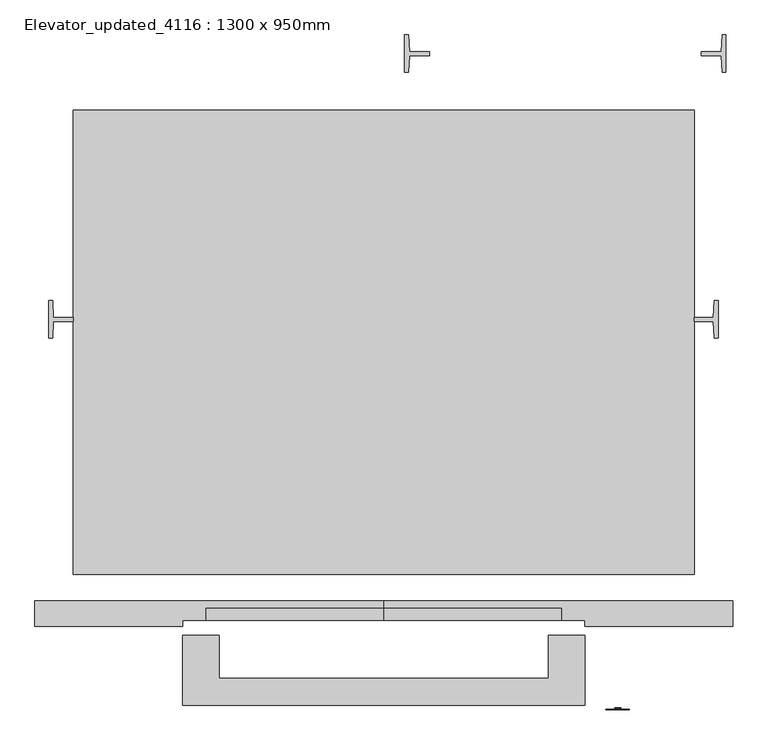
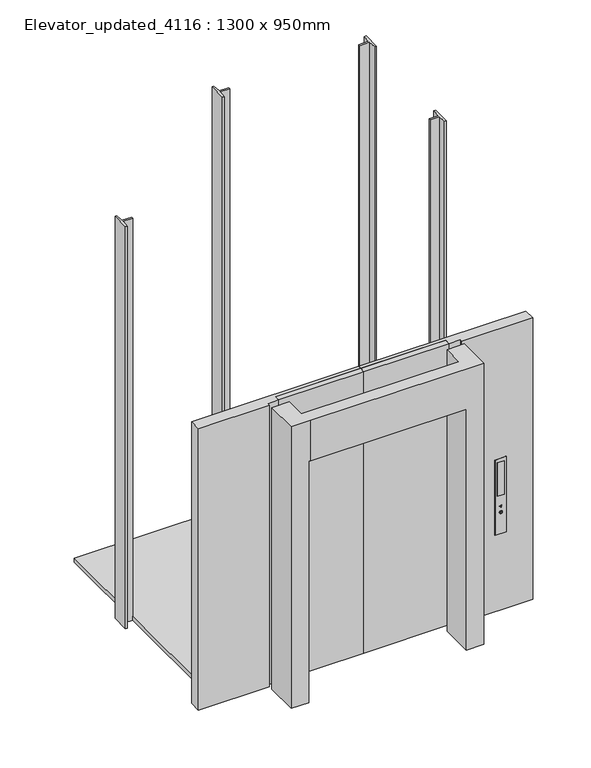
"""IFC4 building model written with IfcOpenShell, lengths in millimetres: proxy geometry, Elevator_updated_4116 : 1300 x 950mm."""

import ifcopenshell
import ifcopenshell.guid

model = None  # the IFC model being written
_history = None  # IfcOwnerHistory: only IFC2X3 demands one
_inside = {}  # id of a spatial element -> (the spatial element, [elements in it])
_under = {}  # id of a project, library or spatial element -> (it, [spatial elements below it])
_declared = {}  # id of a project -> (the project, [libraries it declares])
_typed = {}  # id of a type object -> (the type object, [elements of that type])
_made_of = {}  # id of a material, layer set ... -> (it, [elements and type objects made of it])


def new_model(schema):
    """Start an empty IFC model of exactly this schema.

    Asked for "IFC4X3", IfcOpenShell would pick the latest addendum, in which some entities
    have other attributes; the version numbers below select the first issue.
    IFC2X3 requires an IfcOwnerHistory on every rooted entity: one is made here for all.
    """
    global model, _history
    if schema == "IFC4X3":
        model = ifcopenshell.file(schema_version=(4, 3, 0, 0))
    else:
        model = ifcopenshell.file(schema=schema)
    _inside.clear()
    _under.clear()
    _declared.clear()
    _typed.clear()
    _made_of.clear()
    _history = None
    if model.schema == "IFC2X3":
        org = make("IfcOrganization", Name="unknown")
        user = make(
            "IfcPersonAndOrganization",
            ThePerson=make("IfcPerson", FamilyName="unknown"),
            TheOrganization=org,
        )
        app = make(
            "IfcApplication",
            ApplicationDeveloper=org,
            Version="unknown",
            ApplicationFullName="unknown",
            ApplicationIdentifier="unknown",
        )
        _history = make(
            "IfcOwnerHistory",
            OwningUser=user,
            OwningApplication=app,
            ChangeAction="ADDED",
            CreationDate=0,
        )
    return model


def make(cls, **values):
    """One entity of the class cls with the attributes given. An attribute that is None is left unset."""
    return model.create_entity(
        cls, **{name: value for name, value in values.items() if value is not None}
    )


def rooted(cls, **values):
    """An entity with a GlobalId (a new one), such as an element, a storey or a relation."""
    return make(cls, GlobalId=ifcopenshell.guid.new(), OwnerHistory=_history, **values)


def si_unit(unit_type, name, prefix=None):
    """IfcSIUnit, for example si_unit("LENGTHUNIT", "METRE", prefix="MILLI")."""
    return make("IfcSIUnit", UnitType=unit_type, Prefix=prefix, Name=name)


def assignment(units):
    """IfcUnitAssignment: the units of a project."""
    return None if units is None else make("IfcUnitAssignment", Units=units)


def point(xyz):
    """IfcCartesianPoint."""
    return None if xyz is None else make("IfcCartesianPoint", Coordinates=xyz)


def direction(xyz):
    """IfcDirection."""
    return None if xyz is None else make("IfcDirection", DirectionRatios=xyz)


def frame(location, z_axis=None, x_axis=None):
    """IfcAxis2Placement3D, a coordinate frame: its origin and axes. An axis left out is left unset."""
    return make(
        "IfcAxis2Placement3D",
        Location=point(location),
        Axis=direction(z_axis),
        RefDirection=direction(x_axis),
    )


def frame_2d(location, x_axis=None):
    """IfcAxis2Placement2D, a coordinate frame in the plane: its origin and x axis."""
    return make(
        "IfcAxis2Placement2D", Location=point(location), RefDirection=direction(x_axis)
    )


def origin():
    """The frame at (0, 0, 0) with its axes left unset."""
    return frame((0.0, 0.0, 0.0))


def origin_with_axes():
    """The frame at (0, 0, 0) with the z axis (0, 0, 1) and the x axis (1, 0, 0) written out."""
    return frame((0.0, 0.0, 0.0), z_axis=(0.0, 0.0, 1.0), x_axis=(1.0, 0.0, 0.0))


def place(relative_to, where):
    """IfcLocalPlacement: puts the frame where relative to a parent placement (None: the world)."""
    return make(
        "IfcLocalPlacement", PlacementRelTo=relative_to, RelativePlacement=where
    )


def context(
    kind, dimensions, precision=None, world=None, true_north=None, identifier=None
):
    """IfcGeometricRepresentationContext, for example the 3D "Model" context."""
    return make(
        "IfcGeometricRepresentationContext",
        ContextIdentifier=identifier,
        ContextType=kind,
        CoordinateSpaceDimension=dimensions,
        Precision=precision,
        WorldCoordinateSystem=world,
        TrueNorth=true_north,
    )


def project(units=None, contexts=None):
    """IfcProject with its units and contexts."""
    return rooted(
        "IfcProject",
        Name="project",
        RepresentationContexts=contexts,
        UnitsInContext=assignment(units),
    )


def spatial(cls, under=None, at=None, **own):
    """A site, building, storey or space (cls), placed at a placement, below another one or the project."""
    s = rooted(cls, ObjectPlacement=at, **own)
    if under is not None:
        _under.setdefault(under.id(), (under, []))[1].append(s)
    return s


def polyline(points):
    """IfcPolyline through the points."""
    return make("IfcPolyline", Points=[point(p) for p in points])


def circle_curve(where, radius):
    """IfcCircle in the frame where."""
    return make("IfcCircle", Position=where, Radius=radius)


def trimmed(basis, trim1, trim2, sense, master):
    """IfcTrimmedCurve: the piece of a basis curve between two trims."""
    return make(
        "IfcTrimmedCurve",
        BasisCurve=basis,
        Trim1=trim1,
        Trim2=trim2,
        SenseAgreement=sense,
        MasterRepresentation=master,
    )


def segment(curve, same_sense, transition):
    """IfcCompositeCurveSegment."""
    return make(
        "IfcCompositeCurveSegment",
        Transition=transition,
        SameSense=same_sense,
        ParentCurve=curve,
    )


def composite_curve(segments, self_intersect=None):
    """IfcCompositeCurve: segments joined end to end."""
    return make("IfcCompositeCurve", Segments=segments, SelfIntersect=self_intersect)


def outline(outer, holes=None, kind="AREA"):
    """IfcArbitraryClosedProfileDef: a profile drawn as a closed curve; with holes, ...WithVoids."""
    if holes is None:
        return make("IfcArbitraryClosedProfileDef", ProfileType=kind, OuterCurve=outer)
    return make(
        "IfcArbitraryProfileDefWithVoids",
        ProfileType=kind,
        OuterCurve=outer,
        InnerCurves=holes,
    )


def extrude(swept, where, along, depth):
    """IfcExtrudedAreaSolid: the profile swept, set in the frame where, extruded along a direction by depth."""
    return make(
        "IfcExtrudedAreaSolid",
        SweptArea=swept,
        Position=where,
        ExtrudedDirection=direction(along),
        Depth=depth,
    )


def faces_of(points, faces, orient=None, outer=None):
    """IfcFace entities. A face is a list of loops; a loop is a list of indices into points, from 0.

    orient and outer hold one flag for each loop. By default every Orientation is true, the
    first loop of a face is its IfcFaceOuterBound and the others are IfcFaceBound.
    """
    made = []
    for i, loops in enumerate(faces):
        bounds = []
        for j, loop in enumerate(loops):
            is_outer = j == 0 if outer is None else outer[i][j]
            bounds.append(
                make(
                    "IfcFaceOuterBound" if is_outer else "IfcFaceBound",
                    Bound=make("IfcPolyLoop", Polygon=[points[k] for k in loop]),
                    Orientation=True if orient is None else orient[i][j],
                )
            )
        made.append(make("IfcFace", Bounds=bounds))
    return made


def faceted_brep(points, faces, orient=None, outer=None, voids=None):
    """IfcFacetedBrep: a solid bounded by flat faces; with voids (closed shells), ...WithVoids."""
    shared = [point(p) for p in points]
    hull = make("IfcClosedShell", CfsFaces=faces_of(shared, faces, orient, outer))
    if voids is None:
        return make("IfcFacetedBrep", Outer=hull)
    return make(
        "IfcFacetedBrepWithVoids",
        Outer=hull,
        Voids=[
            make(cls, CfsFaces=faces_of(shared, fs, o, b)) for cls, fs, o, b in voids
        ],
    )


def shape(context_of_items, identifier, shape_type, items):
    """IfcShapeRepresentation: the items that make up one representation, for example the "Body"."""
    return make(
        "IfcShapeRepresentation",
        ContextOfItems=context_of_items,
        RepresentationIdentifier=identifier,
        RepresentationType=shape_type,
        Items=items,
    )


def source(mapping_origin, context_of_items, identifier, shape_type, items):
    """IfcRepresentationMap: a shape defined once, which mapped items show again and again."""
    return make(
        "IfcRepresentationMap",
        MappingOrigin=mapping_origin,
        MappedRepresentation=shape(context_of_items, identifier, shape_type, items),
    )


def transform(
    local_origin,
    x_axis=None,
    y_axis=None,
    z_axis=None,
    scale=None,
    scale2=None,
    scale3=None,
    uniform=True,
):
    """IfcCartesianTransformationOperator3D, or its non-uniform kind. x_axis, y_axis, z_axis: its Axis1, 2, 3."""
    if uniform:
        return make(
            "IfcCartesianTransformationOperator3D",
            Axis1=direction(x_axis),
            Axis2=direction(y_axis),
            LocalOrigin=point(local_origin),
            Scale=scale,
            Axis3=direction(z_axis),
        )
    return make(
        "IfcCartesianTransformationOperator3DnonUniform",
        Axis1=direction(x_axis),
        Axis2=direction(y_axis),
        LocalOrigin=point(local_origin),
        Scale=scale,
        Axis3=direction(z_axis),
        Scale2=scale2,
        Scale3=scale3,
    )


def mapped(mapping_source, mapping_target):
    """IfcMappedItem: shows the shape of a source again, moved by a transform."""
    return make(
        "IfcMappedItem", MappingSource=mapping_source, MappingTarget=mapping_target
    )


def made_of(thing, what):
    """Note that an element or type object is made of a material, layer set ...; save() writes the relation."""
    if what is not None:
        _made_of.setdefault(what.id(), (what, []))[1].append(thing)
    return thing


def element(
    cls,
    number,
    at=None,
    inside=None,
    cuts=None,
    type_object=None,
    material=None,
    context=None,
    identifier="Body",
    shape_type=None,
    held_by="IfcProductDefinitionShape",
    body=None,
    shapes=None,
    **own,
):
    """One element of the class cls, such as IfcWall. Its Tag is "e" and its number.

    at: its placement. inside: the storey or other place that contains it. cuts: it is an
    opening in that element (IfcRelVoidsElement). A single representation is given by context,
    identifier, shape_type and body (its items); several are given by shapes. held_by: the class
    of the entity that holds the representations. save() writes the other relations.
    """
    e = rooted(cls, Tag="e%d" % number, ObjectPlacement=at, **own)
    if body is not None:
        shapes = [shape(context, identifier, shape_type, body)]
    if shapes is not None:
        e.Representation = make(held_by, Representations=shapes)
    if inside is not None:
        _inside.setdefault(inside.id(), (inside, []))[1].append(e)
    if cuts is not None:
        rooted(
            "IfcRelVoidsElement", RelatingBuildingElement=cuts, RelatedOpeningElement=e
        )
    if type_object is not None:
        _typed.setdefault(type_object.id(), (type_object, []))[1].append(e)
    return made_of(e, material)


def aggregate(whole, parts):
    """IfcRelAggregates: a whole, such as a stair, and the parts it consists of."""
    return rooted("IfcRelAggregates", RelatingObject=whole, RelatedObjects=parts)


def save(model, path):
    """Write the relations noted so far, then the file.

    IfcRelAggregates (storeys below a building ...), IfcRelContainedInSpatialStructure (elements
    in a storey), IfcRelDefinesByType, IfcRelAssociatesMaterial and IfcRelDeclares: one each for
    every whole, place, type object, material and project.
    """
    for whole, parts in _under.values():
        aggregate(whole, parts)
    for where, things in _inside.values():
        rooted(
            "IfcRelContainedInSpatialStructure",
            RelatedElements=things,
            RelatingStructure=where,
        )
    for kind, things in _typed.values():
        rooted("IfcRelDefinesByType", RelatedObjects=things, RelatingType=kind)
    for what, things in _made_of.values():
        rooted("IfcRelAssociatesMaterial", RelatedObjects=things, RelatingMaterial=what)
    for by, libraries in _declared.values():
        rooted("IfcRelDeclares", RelatingContext=by, RelatedDefinitions=libraries)
    model.write(path)


def elevator_updated_4116_1300_x_950mm_cc628332(model_context):
    return source(origin(), model_context, "Body", "SolidModel", [
        extrude(outline(polyline([(1387.8068056, 1596.1967426), (1374.8068533, 1596.1967426), (1371.8068533, 1653.3967425), (1304.3067824, 1653.3967425), (1304.3067824, 1665.8923587), (1371.893071, 1665.8923587), (1374.8068532, 1723.1967426), (1387.8068056, 1723.1967426), (1387.8068056, 1596.1967426)])), origin_with_axes(), (0.0, 0.0, 1.0), 3000.0),
        extrude(outline(polyline([(300.8067593, 1596.1967426), (300.8067593, 1723.1967426), (313.8067116, 1723.1967426), (316.7204939, 1665.8923587), (384.3067824, 1665.8923587), (384.3067824, 1653.3967425), (316.8067116, 1653.3967425), (313.8067116, 1596.1967426), (300.8067593, 1596.1967426)])), origin_with_axes(), (0.0, 0.0, 1.0), 3000.0),
        extrude(outline(polyline([(1361.2100334, 697.0635645), (1348.2100334, 697.0635645), (1345.2100334, 754.2632247), (1280.2100339, 754.2632247), (1280.2100339, 766.7588408), (1345.2962512, 766.7588408), (1348.2100334, 824.0635645), (1361.2100334, 824.0635645), (1361.2100334, 697.0635645)])), origin_with_axes(), (0.0, 0.0, 1.0), 3000.0),
        extrude(outline(polyline([(-903.2899892, 697.0632248), (-903.2899892, 824.0632248), (-890.2900369, 824.0632248), (-887.3762547, 766.7588408), (-819.7899661, 766.7588408), (-819.7899661, 754.2632247), (-887.2900369, 754.2632247), (-890.2900369, 697.0632248), (-903.2899892, 697.0632248)])), origin_with_axes(), (0.0, 0.0, 1.0), 3000.0),
        faceted_brep([(-310.0035134, -543.6764029, 2100.0), (910.4235812, -543.6764029, 2100.0), (910.4235812, -306.9550169, 2100.0), (787.4235812, -306.9550169, 2100.0), (787.4235812, -453.0264029, 2100.0), (-327.0035134, -453.0264029, 2100.0), (-327.0035134, -306.9550169, 2100.0), (-450.0035134, -306.9550169, 2100.0), (-450.0035134, -543.6764029, 2100.0), (-450.0035134, -543.6764029, 0.0), (-450.0035134, -306.9550169, 0.0), (-327.0035134, -306.9550169, 0.0), (-327.0035134, -543.6764029, 0.0), (787.4235812, -543.6764029, 0.0), (787.4235812, -306.9550169, 0.0), (910.4235812, -306.9550169, 0.0), (910.4235812, -543.6764029, 0.0), (-310.0035134, -543.6764029, 1800.0), (787.4235812, -543.6764029, 1800.0), (787.4235812, -453.0264029, 1800.0), (-327.0035134, -453.0264029, 1800.0), (-327.0035134, -543.6764029, 1800.0)], [[[0, 1, 2, 3, 4, 5, 6, 7, 8]], [[9, 10, 11, 12]], [[13, 14, 15, 16]], [[1, 0, 17, 18, 13, 16]], [[2, 1, 16, 15]], [[3, 2, 15, 14]], [[4, 3, 14, 13, 18, 19]], [[5, 4, 19, 20]], [[6, 5, 20, 21, 12, 11]], [[7, 6, 11, 10]], [[8, 7, 10, 9]], [[0, 8, 9, 12, 21, 17]], [[19, 18, 17, 21, 20]]]),
        extrude(outline(polyline([(1008.9127767, 1021.7785059), (995.0524506, 1021.7785059), (995.0524506, 1022.5772134), (1008.9127767, 1022.5772134), (1004.977049, 1028.1980152), (1005.5866656, 1028.8076319), (1010.2288821, 1022.1778597), (1005.5866656, 1015.5480875), (1004.977049, 1016.1577041), (1008.9127767, 1021.7785059)])), frame((0.0, -560.0598941, 0.0), z_axis=(0.0, 1.0, 0.0), x_axis=(0.0, 0.0, 1.0)), (0.0, 0.0, 1.0), 1.8423941),
        extrude(outline(polyline([(951.1921246, 1021.7785059), (955.1278523, 1016.1577041), (954.5182357, 1015.5480875), (949.8760192, 1022.1778597), (954.5182357, 1028.8076319), (955.1278523, 1028.1980152), (951.1921246, 1022.5772134), (965.0524506, 1022.5772134), (965.0524506, 1021.7785059), (951.1921246, 1021.7785059)])), frame((0.0, -560.0598941, 0.0), z_axis=(0.0, 1.0, 0.0), x_axis=(0.0, 0.0, 1.0)), (0.0, 0.0, 1.0), 1.8423941),
        extrude(outline(composite_curve([segment(trimmed(circle_curve(frame_2d((958.0344126, 1022.0419434)), 10.0), [point((958.0344126, 1012.0419434))], [point((958.0344126, 1032.0419434))], False, "CARTESIAN"), True, "CONTINUOUS"), segment(trimmed(circle_curve(frame_2d((958.0344126, 1022.0419434)), 10.0), [point((958.0344126, 1032.0419434))], [point((958.0344126, 1012.0419434))], False, "CARTESIAN"), True, "CONTINUOUS")], self_intersect=False)), frame((0.0, -554.719947, 0.0), z_axis=(0.0, 1.0, 0.0), x_axis=(0.0, 0.0, 1.0)), (0.0, 0.0, 1.0), 2.1149301),
        extrude(outline(polyline([(1045.8573152, -559.069947), (995.8573152, -559.069947), (995.8573152, -556.9550169), (1045.8573152, -556.9550169), (1045.8573152, -559.069947)])), frame((0.0, 0.0, 1084.2103885), z_axis=(0.0, 0.0, 1.0), x_axis=(1.0, 0.0, 0.0)), (0.0, 0.0, 1.0), 250.0),
        extrude(outline(composite_curve([segment(trimmed(circle_curve(frame_2d((958.0344126, 1022.0419434)), 10.0), [point((958.0344126, 1012.0419434))], [point((958.0344126, 1032.0419434))], False, "CARTESIAN"), True, "CONTINUOUS"), segment(trimmed(circle_curve(frame_2d((958.0344126, 1022.0419434)), 10.0), [point((958.0344126, 1032.0419434))], [point((958.0344126, 1012.0419434))], False, "CARTESIAN"), True, "CONTINUOUS")], self_intersect=False)), frame((0.0, -554.719947, 0.0), z_axis=(0.0, 1.0, 0.0), x_axis=(0.0, 0.0, 1.0)), (0.0, 0.0, 1.0), 2.1149301),
        extrude(outline(composite_curve([segment(trimmed(circle_curve(frame_2d((1003.0344126, 1022.0419434)), 10.0), [point((1003.0344126, 1012.0419434))], [point((1003.0344126, 1032.0419434))], False, "CARTESIAN"), True, "CONTINUOUS"), segment(trimmed(circle_curve(frame_2d((1003.0344126, 1022.0419434)), 10.0), [point((1003.0344126, 1032.0419434))], [point((1003.0344126, 1012.0419434))], False, "CARTESIAN"), True, "CONTINUOUS")], self_intersect=False)), frame((0.0, -555.7098941, 0.0), z_axis=(0.0, 1.0, 0.0), x_axis=(0.0, 0.0, 1.0)), (0.0, 0.0, 1.0), 1.8423941),
        extrude(outline(polyline([(1360.0, 980.8185967), (800.0, 980.8185967), (800.0, 1060.8185967), (1360.0, 1060.8185967), (1360.0, 980.8185967)]), holes=[composite_curve([segment(trimmed(circle_curve(frame_2d((958.0344126, 1022.0419434)), 10.0), [point((958.0344126, 1032.0419434))], [point((958.0344126, 1012.0419434))], True, "CARTESIAN"), True, "CONTINUOUS"), segment(trimmed(circle_curve(frame_2d((958.0344126, 1022.0419434)), 10.0), [point((958.0344126, 1012.0419434))], [point((958.0344126, 1032.0419434))], True, "CARTESIAN"), True, "CONTINUOUS")], self_intersect=False)]), frame((0.0, -559.069947, 0.0), z_axis=(0.0, 1.0, 0.0), x_axis=(0.0, 0.0, 1.0)), (0.0, 0.0, 1.0), 2.1149301),
        extrude(outline(polyline([(1280.2100339, 1469.7281578), (1280.2100339, -101.6799298), (-819.7899661, -101.6799298), (-819.7899661, 1469.7281578), (1280.2100339, 1469.7281578)])), origin_with_axes(), (0.0, 0.0, 1.0), 30.0),
        extrude(outline(polyline([(230.2100339, -256.6799298), (230.2100339, -216.6799298), (830.2100339, -216.6799298), (830.2100339, -256.6799298), (230.2100339, -256.6799298)])), origin_with_axes(), (0.0, 0.0, 1.0), 2100.0),
        extrude(outline(polyline([(230.2100339, -256.6799298), (-369.7899661, -256.6799298), (-369.7899661, -216.6799298), (230.2100339, -216.6799298), (230.2100339, -256.6799298)])), origin_with_axes(), (0.0, 0.0, 1.0), 2100.0),
        extrude(outline(polyline([(230.2100339, -191.6799298), (1410.2100339, -191.6799298), (1410.2100339, -276.6799298), (910.2100339, -276.6799298), (910.2100339, -256.6799298), (830.2100339, -256.6799298), (830.2100339, -216.6799298), (230.2100339, -216.6799298), (230.2100339, -191.6799298)])), origin_with_axes(), (0.0, 0.0, 1.0), 2100.0),
        extrude(outline(polyline([(230.2100339, -191.6799298), (230.2100339, -216.6799298), (-369.7899661, -216.6799298), (-369.7899661, -256.6799298), (-449.7899661, -256.6799298), (-449.7899661, -276.6799298), (-949.7899661, -276.6799298), (-949.7899661, -191.6799298), (230.2100339, -191.6799298)])), origin_with_axes(), (0.0, 0.0, 1.0), 2100.0),
    ])


if __name__ == "__main__":
    model = new_model("IFC4")
    model_context = context("Model", 3, world=origin())
    ifc_project = project(units=[si_unit("LENGTHUNIT", "METRE", prefix="MILLI")], contexts=[model_context])
    site = spatial("IfcSite", under=ifc_project)
    building = spatial("IfcBuilding", under=site)
    placement = place(None, origin())
    elevator_updated_4116_1300_x_950mm_shape = elevator_updated_4116_1300_x_950mm_cc628332(model_context)
    element("IfcBuildingElementProxy", 1, Name="Elevator_updated_4116 : 1300 x 950mm", ObjectType="Elevator_updated_4116 : 1300 x 950mm", at=placement, inside=building, context=model_context, shape_type="MappedRepresentation", body=[
        mapped(elevator_updated_4116_1300_x_950mm_shape, transform((0.0, 0.0, 0.0), x_axis=(1.0, 0.0, 0.0), y_axis=(0.0, 1.0, 0.0), z_axis=(0.0, 0.0, 1.0))),
    ])
    save(model, "model.ifc")
